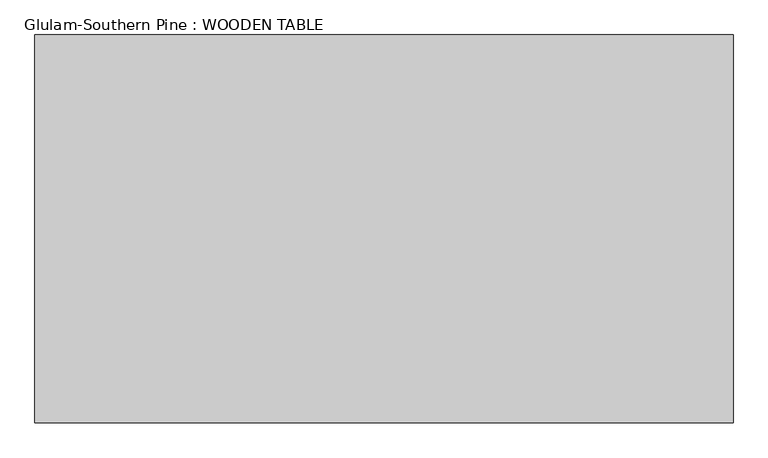
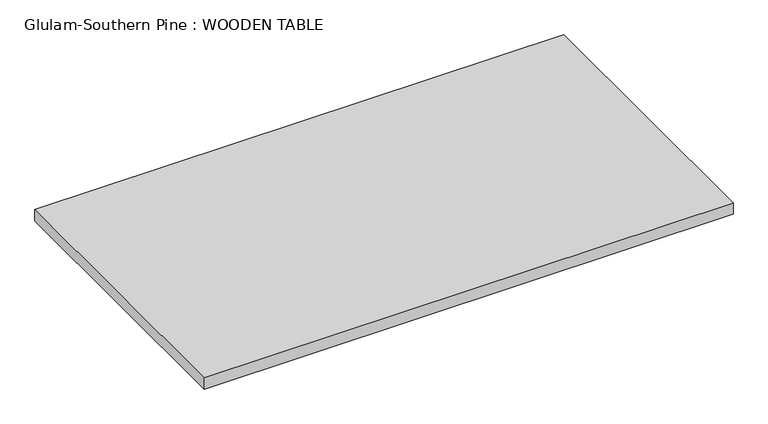
"""IFC4 building model written with IfcOpenShell, lengths in millimetres: beam geometry, Glulam-Southern Pine : WOODEN TABLE."""

from ifc_helpers import new_model, si_unit, frame, origin, place, context, project, spatial, polyline, outline, extrude, source, transform, mapped, element, save


def glulam_southern_pine_wooden_table_a97943f0(model_context):
    return source(origin(), model_context, "Body", "SweptSolid", [
        extrude(outline(polyline([(1324.5, 750.0), (1324.5, -750.0), (-1375.5, -750.0), (-1375.5, 750.0), (1324.5, 750.0)])), frame((0.0, 0.0, -30.0), z_axis=(0.0, 0.0, 1.0), x_axis=(1.0, 0.0, 0.0)), (0.0, 0.0, 1.0), 60.0),
    ])


if __name__ == "__main__":
    model = new_model("IFC4")
    model_context = context("Model", 3, world=origin())
    ifc_project = project(units=[si_unit("LENGTHUNIT", "METRE", prefix="MILLI")], contexts=[model_context])
    site = spatial("IfcSite", under=ifc_project)
    building = spatial("IfcBuilding", under=site)
    placement = place(None, origin())
    glulam_southern_pine_wooden_table_shape = glulam_southern_pine_wooden_table_a97943f0(model_context)
    element("IfcBeam", 1, ObjectType="Glulam-Southern Pine : WOODEN TABLE", at=placement, inside=building, context=model_context, shape_type="MappedRepresentation", body=[
        mapped(glulam_southern_pine_wooden_table_shape, transform((0.0, 0.0, 0.0), x_axis=(1.0, 0.0, 0.0), y_axis=(0.0, 1.0, 0.0), z_axis=(0.0, 0.0, 1.0))),
    ])
    save(model, "model.ifc")
